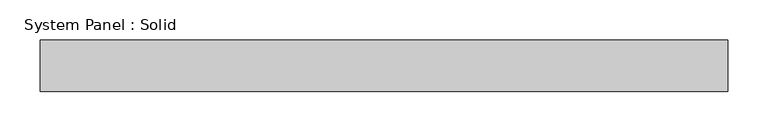
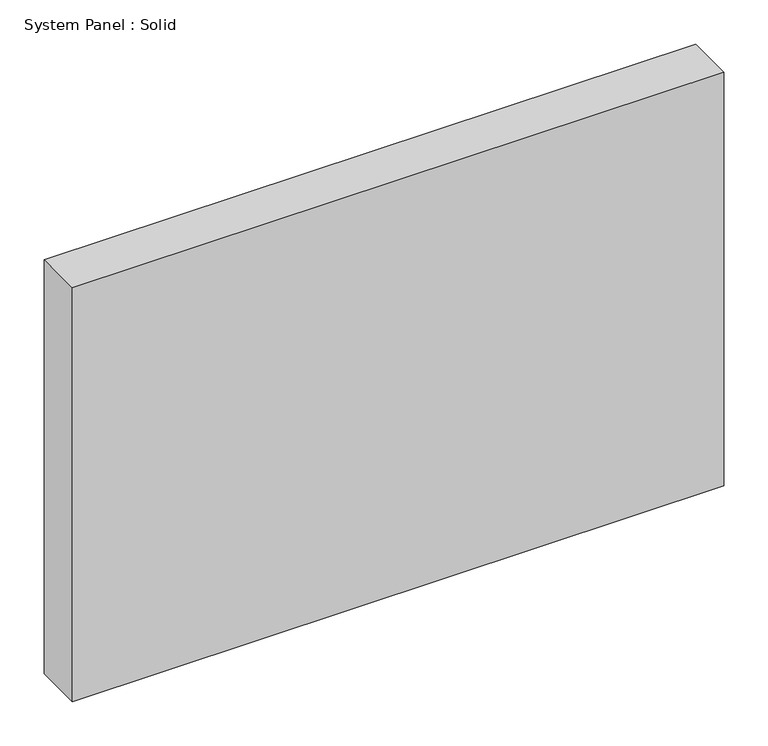
"""IFC4 building model written with IfcOpenShell, lengths in millimetres: plate geometry, System Panel : Solid."""

from ifc_helpers import new_model, si_unit, origin, origin_with_axes, place, context, project, spatial, polyline, outline, extrude, source, transform, mapped, element, save


def system_panel_solid_264301aa(model_context):
    return source(origin(), model_context, "Body", "SweptSolid", [
        extrude(outline(polyline([(425.45, -19.05), (-425.45, -19.05), (-425.45, 44.45), (425.45, 44.45), (425.45, -19.05)])), origin_with_axes(), (0.0, 0.0, 1.0), 571.5),
    ])


if __name__ == "__main__":
    model = new_model("IFC4")
    model_context = context("Model", 3, world=origin())
    ifc_project = project(units=[si_unit("LENGTHUNIT", "METRE", prefix="MILLI")], contexts=[model_context])
    site = spatial("IfcSite", under=ifc_project)
    building = spatial("IfcBuilding", under=site)
    placement = place(None, origin())
    system_panel_solid_shape = system_panel_solid_264301aa(model_context)
    element("IfcPlate", 1, ObjectType="System Panel : Solid", at=placement, inside=building, context=model_context, shape_type="MappedRepresentation", body=[
        mapped(system_panel_solid_shape, transform((0.0, 0.0, 0.0), x_axis=(1.0, 0.0, 0.0), y_axis=(0.0, 1.0, 0.0), z_axis=(0.0, 0.0, 1.0))),
    ])
    save(model, "model.ifc")
